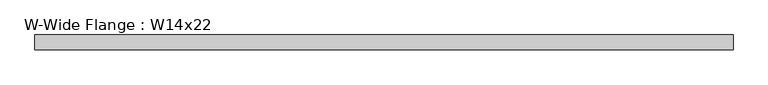
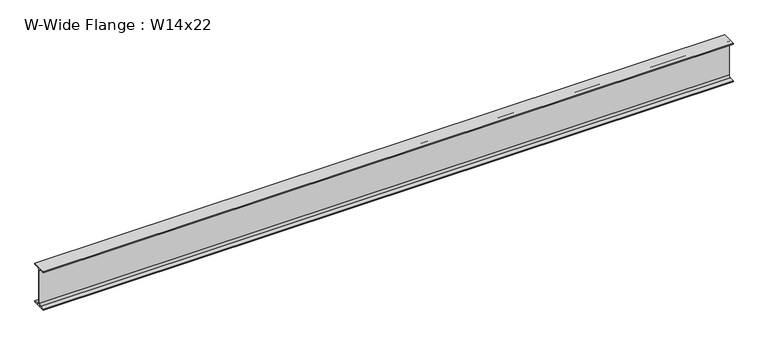
"""IFC4 building model written with IfcOpenShell, lengths in millimetres: beam geometry, W-Wide Flange : W14x22."""

from ifc_helpers import new_model, si_unit, point, frame, frame_2d, origin, place, context, project, spatial, polyline, circle_curve, trimmed, segment, composite_curve, outline, extrude, source, transform, mapped, element, save


def w_wide_flange_w14x22_7381a0cb(model_context):
    return source(origin(), model_context, "Body", "SweptSolid", [
        extrude(outline(composite_curve([segment(polyline([(63.5, -165.481), (63.5, -173.99), (-63.5, -173.99), (-63.5, -165.481), (-21.3995, -165.481)]), True, "CONTINUOUS"), segment(trimmed(circle_curve(frame_2d((-21.3995, -147.0025)), 18.4785), [point((-21.3995, -165.481))], [point((-2.921, -147.0025))], True, "CARTESIAN"), True, "CONTINUOUS"), segment(polyline([(-2.921, -147.0025), (-2.921, 147.0025)]), True, "CONTINUOUS"), segment(trimmed(circle_curve(frame_2d((-21.3995, 147.0025)), 18.4785), [point((-2.921, 147.0025))], [point((-21.3995, 165.481))], True, "CARTESIAN"), True, "CONTINUOUS"), segment(polyline([(-21.3995, 165.481), (-63.5, 165.481), (-63.5, 173.99), (63.5, 173.99), (63.5, 165.481), (21.3995, 165.481)]), True, "CONTINUOUS"), segment(trimmed(circle_curve(frame_2d((21.3995, 147.0025)), 18.4785), [point((21.3995, 165.481))], [point((2.921, 147.0025))], True, "CARTESIAN"), True, "CONTINUOUS"), segment(polyline([(2.921, 147.0025), (2.921, -147.0025)]), True, "CONTINUOUS"), segment(trimmed(circle_curve(frame_2d((21.3995, -147.0025)), 18.4785), [point((2.921, -147.0025))], [point((21.3995, -165.481))], True, "CARTESIAN"), True, "CONTINUOUS"), segment(polyline([(21.3995, -165.481), (63.5, -165.481)]), True, "CONTINUOUS")], self_intersect=False)), frame((-2881.63, 0.0, 0.0), z_axis=(1.0, 0.0, 0.0), x_axis=(0.0, 1.0, 0.0)), (0.0, 0.0, 1.0), 5929.63),
    ])


if __name__ == "__main__":
    model = new_model("IFC4")
    model_context = context("Model", 3, world=origin())
    ifc_project = project(units=[si_unit("LENGTHUNIT", "METRE", prefix="MILLI")], contexts=[model_context])
    site = spatial("IfcSite", under=ifc_project)
    building = spatial("IfcBuilding", under=site)
    placement = place(None, origin())
    w_wide_flange_w14x22_shape = w_wide_flange_w14x22_7381a0cb(model_context)
    element("IfcBeam", 1, ObjectType="W-Wide Flange : W14x22", at=placement, inside=building, context=model_context, shape_type="MappedRepresentation", body=[
        mapped(w_wide_flange_w14x22_shape, transform((0.0, 0.0, 0.0), x_axis=(1.0, 0.0, 0.0), y_axis=(0.0, 1.0, 0.0), z_axis=(0.0, 0.0, 1.0))),
    ])
    save(model, "model.ifc")
